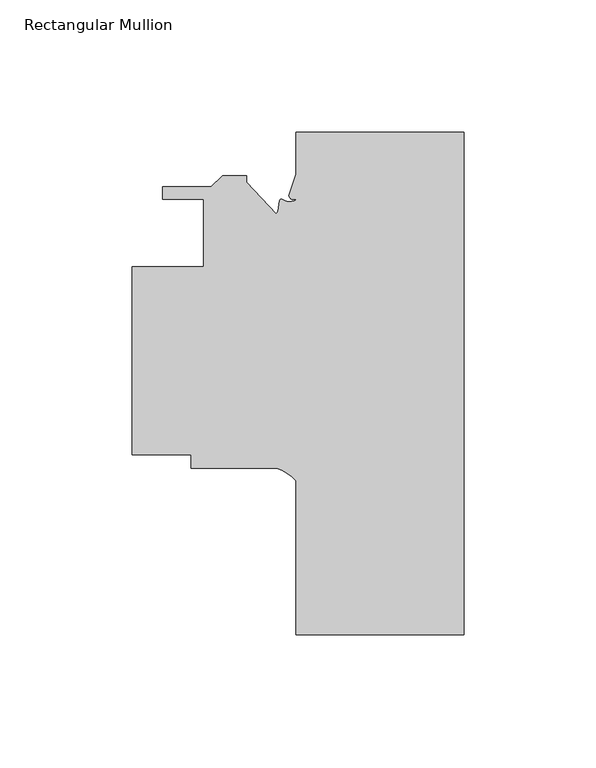
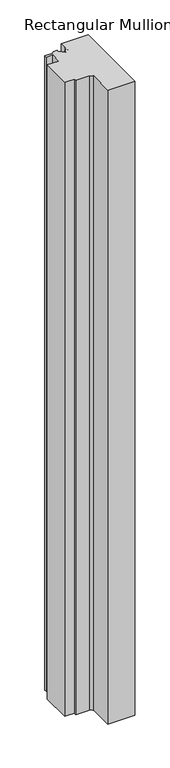
"""IFC4 building model written with IfcOpenShell, lengths in millimetres: member geometry, Rectangular Mullion."""

from ifc_helpers import new_model, si_unit, point, frame, frame_2d, origin, place, context, project, spatial, polyline, circle_curve, trimmed, segment, composite_curve, outline, extrude, source, transform, mapped, element, save


def rectangular_mullion_29b078f5(model_context):
    return source(origin(), model_context, "Body", "SweptSolid", [
        extrude(outline(composite_curve([segment(polyline([(0.0, 0.0), (0.0, -189.992), (-63.515875, -189.992), (-63.515875, -131.7880036)]), True, "CONTINUOUS"), segment(trimmed(circle_curve(frame_2d((-74.3196816, -140.2006793)), 13.6928942), [point((-63.515875, -131.7880036))], [point((-70.7925126, -126.9698657))], True, "CARTESIAN"), True, "CONTINUOUS"), segment(polyline([(-70.7925126, -126.9698657), (-103.1875, -126.9698657), (-103.1875, -121.8898657), (-125.4125, -121.8898657), (-125.4125, -50.7698659), (-98.425, -50.7698659), (-98.425, -25.3698658), (-113.9261495, -25.3698658), (-113.9261495, -20.6708657), (-95.5436417, -20.6708657), (-91.2764417, -16.4036657), (-82.1761495, -16.4036657), (-82.1761495, -18.9436657), (-70.9271938, -30.7550692)]), True, "CONTINUOUS"), segment(trimmed(circle_curve(frame_2d((-71.57951, -29.6653979)), 1.27), [point((-70.9271938, -30.7550692))], [point((-70.3288042, -29.8859311))], True, "CARTESIAN"), True, "CONTINUOUS"), segment(polyline([(-70.3288042, -29.8859311), (-69.6065197, -25.7896524)]), True, "CONTINUOUS"), segment(trimmed(circle_curve(frame_2d((-68.9790527, -25.8922435)), 0.6357985), [point((-69.6065197, -25.7896524))], [point((-68.8016124, -25.281707))], False, "CARTESIAN"), True, "CONTINUOUS"), segment(trimmed(circle_curve(frame_2d((-65.8789671, -20.9072246)), 5.260984), [point((-68.8016124, -25.281707))], [point((-63.1183611, -25.3857295))], True, "CARTESIAN"), True, "CONTINUOUS"), segment(trimmed(circle_curve(frame_2d((-59.1992482, -486.4078197)), 461.0387479), [point((-63.1183611, -25.3857295))], [point((-64.5341288, -25.399939))], True, "CARTESIAN"), True, "CONTINUOUS"), segment(trimmed(circle_curve(frame_2d((-64.4512373, -23.698588)), 1.703369), [point((-64.5341288, -25.399939))], [point((-66.1508552, -23.8115708))], False, "CARTESIAN"), True, "CONTINUOUS"), segment(polyline([(-66.1508552, -23.8115708), (-63.515875, -15.9224321), (-63.515875, 0.0), (0.0, 0.0)]), True, "CONTINUOUS")], self_intersect=False)), frame((0.0, 0.0, -1577.975), z_axis=(0.0, 0.0, 1.0), x_axis=(1.0, 0.0, 0.0)), (0.0, 0.0, 1.0), 1577.975),
    ])


if __name__ == "__main__":
    model = new_model("IFC4")
    model_context = context("Model", 3, world=origin())
    ifc_project = project(units=[si_unit("LENGTHUNIT", "METRE", prefix="MILLI")], contexts=[model_context])
    site = spatial("IfcSite", under=ifc_project)
    building = spatial("IfcBuilding", under=site)
    placement = place(None, origin())
    rectangular_mullion_shape = rectangular_mullion_29b078f5(model_context)
    element("IfcMember", 1, ObjectType="Rectangular Mullion", at=placement, inside=building, context=model_context, shape_type="MappedRepresentation", body=[
        mapped(rectangular_mullion_shape, transform((0.0, 0.0, 0.0), x_axis=(1.0, 0.0, 0.0), y_axis=(0.0, 1.0, 0.0), z_axis=(0.0, 0.0, 1.0))),
    ])
    save(model, "model.ifc")
